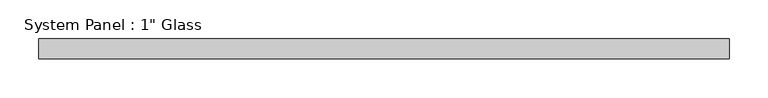
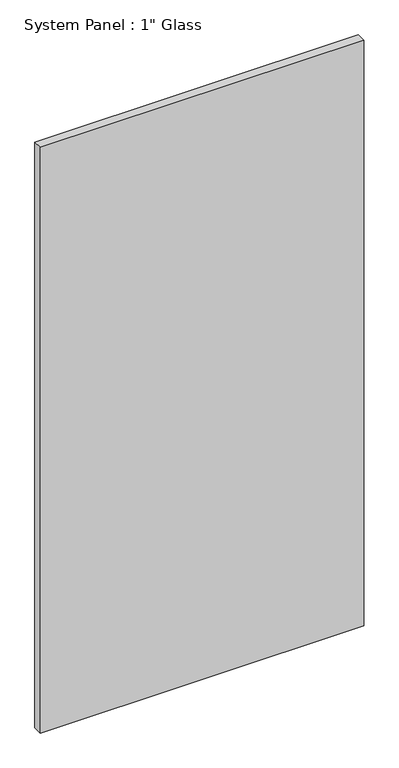
"""IFC4 building model written with IfcOpenShell, lengths in millimetres: plate geometry."""

from ifc_helpers import new_model, si_unit, origin, origin_with_axes, place, context, project, spatial, polyline, outline, extrude, source, transform, mapped, element, save


def plate_7c3b11f3(model_context):
    return source(origin(), model_context, "Body", "SweptSolid", [
        extrude(outline(polyline([(442.9125, -12.7), (-442.9125, -12.7), (-442.9125, 12.7), (442.9125, 12.7), (442.9125, -12.7)])), origin_with_axes(), (0.0, 0.0, 1.0), 1695.45),
    ])


if __name__ == "__main__":
    model = new_model("IFC4")
    model_context = context("Model", 3, world=origin())
    ifc_project = project(units=[si_unit("LENGTHUNIT", "METRE", prefix="MILLI")], contexts=[model_context])
    site = spatial("IfcSite", under=ifc_project)
    building = spatial("IfcBuilding", under=site)
    placement = place(None, origin())
    plate_shape = plate_7c3b11f3(model_context)
    element("IfcPlate", 1, ObjectType="System Panel : 1\" Glass", at=placement, inside=building, context=model_context, shape_type="MappedRepresentation", body=[
        mapped(plate_shape, transform((0.0, 0.0, 0.0), x_axis=(1.0, 0.0, 0.0), y_axis=(0.0, 1.0, 0.0), z_axis=(0.0, 0.0, 1.0))),
    ])
    save(model, "model.ifc")
